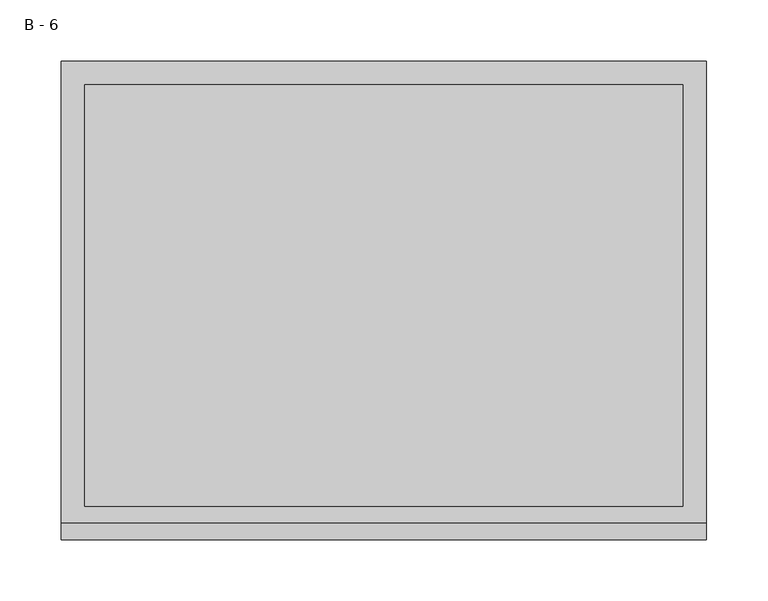
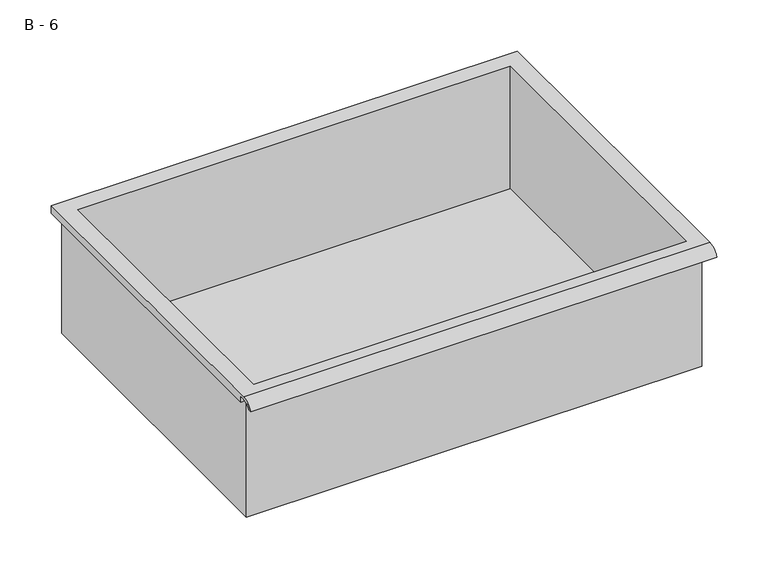
"""IFC4 building model written with IfcOpenShell, lengths in millimetres: furniture geometry, B - 6."""

import ifcopenshell
import ifcopenshell.guid

model = None  # the IFC model being written
_history = None  # IfcOwnerHistory: only IFC2X3 demands one
_inside = {}  # id of a spatial element -> (the spatial element, [elements in it])
_under = {}  # id of a project, library or spatial element -> (it, [spatial elements below it])
_declared = {}  # id of a project -> (the project, [libraries it declares])
_typed = {}  # id of a type object -> (the type object, [elements of that type])
_made_of = {}  # id of a material, layer set ... -> (it, [elements and type objects made of it])


def new_model(schema):
    """Start an empty IFC model of exactly this schema.

    Asked for "IFC4X3", IfcOpenShell would pick the latest addendum, in which some entities
    have other attributes; the version numbers below select the first issue.
    IFC2X3 requires an IfcOwnerHistory on every rooted entity: one is made here for all.
    """
    global model, _history
    if schema == "IFC4X3":
        model = ifcopenshell.file(schema_version=(4, 3, 0, 0))
    else:
        model = ifcopenshell.file(schema=schema)
    _inside.clear()
    _under.clear()
    _declared.clear()
    _typed.clear()
    _made_of.clear()
    _history = None
    if model.schema == "IFC2X3":
        org = make("IfcOrganization", Name="unknown")
        user = make(
            "IfcPersonAndOrganization",
            ThePerson=make("IfcPerson", FamilyName="unknown"),
            TheOrganization=org,
        )
        app = make(
            "IfcApplication",
            ApplicationDeveloper=org,
            Version="unknown",
            ApplicationFullName="unknown",
            ApplicationIdentifier="unknown",
        )
        _history = make(
            "IfcOwnerHistory",
            OwningUser=user,
            OwningApplication=app,
            ChangeAction="ADDED",
            CreationDate=0,
        )
    return model


def make(cls, **values):
    """One entity of the class cls with the attributes given. An attribute that is None is left unset."""
    return model.create_entity(
        cls, **{name: value for name, value in values.items() if value is not None}
    )


def rooted(cls, **values):
    """An entity with a GlobalId (a new one), such as an element, a storey or a relation."""
    return make(cls, GlobalId=ifcopenshell.guid.new(), OwnerHistory=_history, **values)


def si_unit(unit_type, name, prefix=None):
    """IfcSIUnit, for example si_unit("LENGTHUNIT", "METRE", prefix="MILLI")."""
    return make("IfcSIUnit", UnitType=unit_type, Prefix=prefix, Name=name)


def assignment(units):
    """IfcUnitAssignment: the units of a project."""
    return None if units is None else make("IfcUnitAssignment", Units=units)


def point(xyz):
    """IfcCartesianPoint."""
    return None if xyz is None else make("IfcCartesianPoint", Coordinates=xyz)


def direction(xyz):
    """IfcDirection."""
    return None if xyz is None else make("IfcDirection", DirectionRatios=xyz)


def frame(location, z_axis=None, x_axis=None):
    """IfcAxis2Placement3D, a coordinate frame: its origin and axes. An axis left out is left unset."""
    return make(
        "IfcAxis2Placement3D",
        Location=point(location),
        Axis=direction(z_axis),
        RefDirection=direction(x_axis),
    )


def origin():
    """The frame at (0, 0, 0) with its axes left unset."""
    return frame((0.0, 0.0, 0.0))


def place(relative_to, where):
    """IfcLocalPlacement: puts the frame where relative to a parent placement (None: the world)."""
    return make(
        "IfcLocalPlacement", PlacementRelTo=relative_to, RelativePlacement=where
    )


def context(
    kind, dimensions, precision=None, world=None, true_north=None, identifier=None
):
    """IfcGeometricRepresentationContext, for example the 3D "Model" context."""
    return make(
        "IfcGeometricRepresentationContext",
        ContextIdentifier=identifier,
        ContextType=kind,
        CoordinateSpaceDimension=dimensions,
        Precision=precision,
        WorldCoordinateSystem=world,
        TrueNorth=true_north,
    )


def project(units=None, contexts=None):
    """IfcProject with its units and contexts."""
    return rooted(
        "IfcProject",
        Name="project",
        RepresentationContexts=contexts,
        UnitsInContext=assignment(units),
    )


def spatial(cls, under=None, at=None, **own):
    """A site, building, storey or space (cls), placed at a placement, below another one or the project."""
    s = rooted(cls, ObjectPlacement=at, **own)
    if under is not None:
        _under.setdefault(under.id(), (under, []))[1].append(s)
    return s


def polyline(points):
    """IfcPolyline through the points."""
    return make("IfcPolyline", Points=[point(p) for p in points])


def circle_curve(where, radius):
    """IfcCircle in the frame where."""
    return make("IfcCircle", Position=where, Radius=radius)


def shape(context_of_items, identifier, shape_type, items):
    """IfcShapeRepresentation: the items that make up one representation, for example the "Body"."""
    return make(
        "IfcShapeRepresentation",
        ContextOfItems=context_of_items,
        RepresentationIdentifier=identifier,
        RepresentationType=shape_type,
        Items=items,
    )


def source(mapping_origin, context_of_items, identifier, shape_type, items):
    """IfcRepresentationMap: a shape defined once, which mapped items show again and again."""
    return make(
        "IfcRepresentationMap",
        MappingOrigin=mapping_origin,
        MappedRepresentation=shape(context_of_items, identifier, shape_type, items),
    )


def transform(
    local_origin,
    x_axis=None,
    y_axis=None,
    z_axis=None,
    scale=None,
    scale2=None,
    scale3=None,
    uniform=True,
):
    """IfcCartesianTransformationOperator3D, or its non-uniform kind. x_axis, y_axis, z_axis: its Axis1, 2, 3."""
    if uniform:
        return make(
            "IfcCartesianTransformationOperator3D",
            Axis1=direction(x_axis),
            Axis2=direction(y_axis),
            LocalOrigin=point(local_origin),
            Scale=scale,
            Axis3=direction(z_axis),
        )
    return make(
        "IfcCartesianTransformationOperator3DnonUniform",
        Axis1=direction(x_axis),
        Axis2=direction(y_axis),
        LocalOrigin=point(local_origin),
        Scale=scale,
        Axis3=direction(z_axis),
        Scale2=scale2,
        Scale3=scale3,
    )


def mapped(mapping_source, mapping_target):
    """IfcMappedItem: shows the shape of a source again, moved by a transform."""
    return make(
        "IfcMappedItem", MappingSource=mapping_source, MappingTarget=mapping_target
    )


def made_of(thing, what):
    """Note that an element or type object is made of a material, layer set ...; save() writes the relation."""
    if what is not None:
        _made_of.setdefault(what.id(), (what, []))[1].append(thing)
    return thing


def element(
    cls,
    number,
    at=None,
    inside=None,
    cuts=None,
    type_object=None,
    material=None,
    context=None,
    identifier="Body",
    shape_type=None,
    held_by="IfcProductDefinitionShape",
    body=None,
    shapes=None,
    **own,
):
    """One element of the class cls, such as IfcWall. Its Tag is "e" and its number.

    at: its placement. inside: the storey or other place that contains it. cuts: it is an
    opening in that element (IfcRelVoidsElement). A single representation is given by context,
    identifier, shape_type and body (its items); several are given by shapes. held_by: the class
    of the entity that holds the representations. save() writes the other relations.
    """
    e = rooted(cls, Tag="e%d" % number, ObjectPlacement=at, **own)
    if body is not None:
        shapes = [shape(context, identifier, shape_type, body)]
    if shapes is not None:
        e.Representation = make(held_by, Representations=shapes)
    if inside is not None:
        _inside.setdefault(inside.id(), (inside, []))[1].append(e)
    if cuts is not None:
        rooted(
            "IfcRelVoidsElement", RelatingBuildingElement=cuts, RelatedOpeningElement=e
        )
    if type_object is not None:
        _typed.setdefault(type_object.id(), (type_object, []))[1].append(e)
    return made_of(e, material)


def aggregate(whole, parts):
    """IfcRelAggregates: a whole, such as a stair, and the parts it consists of."""
    return rooted("IfcRelAggregates", RelatingObject=whole, RelatedObjects=parts)


def save(model, path):
    """Write the relations noted so far, then the file.

    IfcRelAggregates (storeys below a building ...), IfcRelContainedInSpatialStructure (elements
    in a storey), IfcRelDefinesByType, IfcRelAssociatesMaterial and IfcRelDeclares: one each for
    every whole, place, type object, material and project.
    """
    for whole, parts in _under.values():
        aggregate(whole, parts)
    for where, things in _inside.values():
        rooted(
            "IfcRelContainedInSpatialStructure",
            RelatedElements=things,
            RelatingStructure=where,
        )
    for kind, things in _typed.values():
        rooted("IfcRelDefinesByType", RelatedObjects=things, RelatingType=kind)
    for what, things in _made_of.values():
        rooted("IfcRelAssociatesMaterial", RelatedObjects=things, RelatingMaterial=what)
    for by, libraries in _declared.values():
        rooted("IfcRelDeclares", RelatingContext=by, RelatedDefinitions=libraries)
    model.write(path)


def plane_surface(at):
    """IfcPlane: the flat surface through the origin of the frame at, square to its z axis."""
    return make("IfcPlane", Position=at)


def cylinder_surface(at, radius):
    """IfcCylindricalSurface: all points at the distance radius from the z axis of the frame at."""
    return make("IfcCylindricalSurface", Position=at, Radius=radius)


def revolved_surface(curve, axis_point, axis_direction):
    """IfcSurfaceOfRevolution: the curve turned about the line through axis_point along axis_direction."""
    return make(
        "IfcSurfaceOfRevolution",
        SweptCurve=make("IfcArbitraryOpenProfileDef", ProfileType="CURVE", Curve=curve),
        AxisPosition=make("IfcAxis1Placement", Location=point(axis_point), Axis=direction(axis_direction)),
    )


def advanced_brep(points, edges, surfaces, faces):
    """IfcAdvancedBrep: a solid bounded by faces that lie on surfaces and meet in shared edges.

    An edge is (start, end): straight between two places in points (the first is 0);
    or (start, end, curve); or (start, end, curve, False) where it runs against its curve.
    A face is (place in surfaces, loops), or (place, loops, False) where it looks against
    its surface's normal. A loop lists edges by number (the first is 1), with a minus sign
    where the edge is run from its end to its start. The first loop is the outer one.
    """
    corners = [point(p) for p in points]
    vertices = [make("IfcVertexPoint", VertexGeometry=c) for c in corners]
    made = []
    for start, end, *more in edges:
        made.append(
            make(
                "IfcEdgeCurve",
                EdgeStart=vertices[start],
                EdgeEnd=vertices[end],
                EdgeGeometry=more[0] if more else make("IfcPolyline", Points=[corners[start], corners[end]]),
                SameSense=more[1] if len(more) > 1 else True,
            )
        )
    hull = []
    for where, loops, *sense in faces:
        bounds = []
        for j, loop in enumerate(loops):
            ring = [make("IfcOrientedEdge", EdgeElement=made[abs(k) - 1], Orientation=k > 0) for k in loop]
            bounds.append(
                make(
                    "IfcFaceOuterBound" if j == 0 else "IfcFaceBound",
                    Bound=make("IfcEdgeLoop", EdgeList=ring),
                    Orientation=True,
                )
            )
        hull.append(make("IfcAdvancedFace", Bounds=bounds, FaceSurface=surfaces[where], SameSense=sense[0] if sense else True))
    return make("IfcAdvancedBrep", Outer=make("IfcClosedShell", CfsFaces=hull))


def b_6_d9e495f1(model_context):
    return source(origin(), model_context, "Body", "AdvancedBrep", [
        advanced_brep(
        [(-257.1076517, -176.2125, 312.85942), (257.2423483, -176.2125, 312.85942), (257.2423483, -176.2125, 452.55942), (263.5923483, -176.2125, 452.55942), (263.5923483, -176.2125, 458.8665541), (-263.4576517, -176.2125, 458.8665541), (-263.4576517, -176.2125, 452.55942), (-257.1076517, -176.2125, 452.55942), (257.2423483, 185.7375, 312.85942), (-257.1076517, 185.7375, 312.85942), (-257.1076517, 185.7375, 452.55942), (257.2423483, 185.7375, 452.55942), (263.5923483, -181.6070544, 462.08442), (263.5923483, 195.2625, 462.08442), (-263.4576517, 195.2625, 462.08442), (-263.4576517, -181.6070544, 462.08442), (244.5423483, -168.275, 462.08442), (-244.4076517, -168.275, 462.08442), (-244.4076517, 176.2125, 462.08442), (244.5423483, 176.2125, 462.08442), (263.5923483, -195.2625, 452.55942), (263.5923483, -191.8280601, 452.55942), (263.5923483, -180.4714815, 458.8665541), (263.5923483, 195.2625, 452.55942), (-263.4576517, 195.2625, 452.55942), (-263.4576517, -180.4714815, 458.8665541), (-263.4576517, -191.8280601, 452.55942), (-263.4576517, -195.2625, 452.55942), (-244.4076517, -168.275, 315.8855919), (244.5423483, -168.275, 315.8855919), (244.5423483, 176.2125, 315.8855919), (-244.4076517, 176.2125, 315.8855919)],
        [
            (0, 1),
            (1, 2),
            (2, 3),
            (3, 4),
            (4, 5),
            (5, 6),
            (6, 7),
            (7, 0),
            (8, 9),
            (9, 10),
            (10, 11),
            (11, 8),
            (0, 9),
            (8, 1),
            (11, 2),
            (12, 13),
            (13, 14),
            (14, 15),
            (15, 12),
            (16, 17),
            (17, 18),
            (18, 19),
            (19, 16),
            (7, 10),
            (12, 20, circle_curve(frame((263.5923483, -181.6070544, 447.5334059), z_axis=(1.0, 0.0, 0.0), x_axis=(0.0, 1.0, 0.0)), 14.5510141)),
            (20, 21),
            (21, 22, circle_curve(frame((263.5923483, -181.6070544, 447.5334059), z_axis=(-1.0, 0.0, 0.0), x_axis=(0.0, 1.0, 0.0)), 11.3898979)),
            (22, 4),
            (3, 23),
            (23, 13),
            (14, 24),
            (24, 6),
            (5, 25),
            (25, 26, circle_curve(frame((-263.4576517, -181.6070544, 447.5334059), z_axis=(1.0, 0.0, 0.0), x_axis=(0.0, 1.0, 0.0)), 11.3898979)),
            (26, 27),
            (27, 15, circle_curve(frame((-263.4576517, -181.6070544, 447.5334059), z_axis=(-1.0, 0.0, 0.0), x_axis=(0.0, 1.0, 0.0)), 14.5510141)),
            (27, 20),
            (26, 21),
            (25, 22),
            (24, 23),
            (28, 29),
            (29, 30),
            (30, 31),
            (31, 28),
            (28, 17),
            (16, 29),
            (19, 30),
            (18, 31),
        ],
        [
            plane_surface(frame((257.2423483, -176.2125, 312.85942), z_axis=(0.0, -1.0, 0.0), x_axis=(1.0, 0.0, 0.0))),
            plane_surface(frame((257.2423483, 185.7375, 312.85942), z_axis=(0.0, 1.0, 0.0), x_axis=(-1.0, 0.0, 0.0))),
            plane_surface(frame((-257.1076517, -176.2125, 312.85942), z_axis=(0.0, 0.0, -1.0), x_axis=(0.0, 1.0, 0.0))),
            plane_surface(frame((257.2423483, -176.2125, 312.85942), z_axis=(1.0, 0.0, 0.0), x_axis=(0.0, 1.0, 0.0))),
            plane_surface(frame((257.2423483, -176.2125, 462.08442), z_axis=(0.0, 0.0, 1.0), x_axis=(0.0, 1.0, 0.0))),
            plane_surface(frame((-257.1076517, -176.2125, 462.08442), z_axis=(-1.0, 0.0, 0.0), x_axis=(0.0, 1.0, 0.0))),
            plane_surface(frame((263.5923483, 195.2625, 462.08442), z_axis=(1.0, 0.0, 0.0), x_axis=(0.0, -1.0, 0.0))),
            plane_surface(frame((-263.4576517, 195.2625, 462.08442), z_axis=(-1.0, 0.0, 0.0), x_axis=(0.0, 1.0, 0.0))),
            cylinder_surface(frame((-263.4576517, -181.6070544, 447.5334059), z_axis=(1.0, 0.0, 0.0), x_axis=(0.0, 1.0, 0.0)), 14.5510141),
            plane_surface(frame((263.5923483, -195.2625, 452.55942), z_axis=(0.0, -7.172997036885086e-12, -1.0), x_axis=(-1.0, 0.0, 0.0))),
            revolved_surface(polyline([(-263.4576517, -170.21715650000002, 447.5334059), (263.59234829999997, -170.21715650000002, 447.5334059)]), (-263.4576517, -181.6070544, 447.5334059), (-1.0, 0.0, 0.0)),
            plane_surface(frame((263.5923483, -180.4714815, 458.8665541), z_axis=(0.0, -1.779784652658293e-11, -1.0), x_axis=(-1.0, 0.0, 0.0))),
            plane_surface(frame((263.5923483, -176.2125, 452.55942), z_axis=(0.0, 0.0, -1.0), x_axis=(-1.0, 0.0, 0.0))),
            plane_surface(frame((263.5923483, 195.2625, 452.55942), z_axis=(0.0, 1.0, 0.0), x_axis=(-1.0, 0.0, 0.0))),
            plane_surface(frame((244.5423483, -168.275, 315.8855919), z_axis=(0.0, 0.0, 1.0), x_axis=(-1.0, 0.0, 0.0))),
            plane_surface(frame((-244.4076517, -168.275, 462.08442), z_axis=(0.0, 1.0, 0.0), x_axis=(0.0, 0.0, -1.0))),
            plane_surface(frame((244.5423483, -168.275, 462.08442), z_axis=(-1.0, 0.0, 0.0), x_axis=(0.0, 0.0, -1.0))),
            plane_surface(frame((244.5423483, 176.2125, 462.08442), z_axis=(0.0, -1.0, 0.0), x_axis=(0.0, 0.0, -1.0))),
            plane_surface(frame((-244.4076517, 176.2125, 462.08442), z_axis=(1.0, 0.0, 0.0), x_axis=(0.0, 0.0, -1.0))),
        ],
        [
            (0, [[1, 2, 3, 4, 5, 6, 7, 8]]),
            (1, [[9, 10, 11, 12]]),
            (2, [[-1, 13, -9, 14]]),
            (3, [[-14, -12, 15, -2]]),
            (4, [[16, 17, 18, 19], [20, 21, 22, 23]]),
            (5, [[-13, -8, 24, -10]]),
            (6, [[-16, 25, 26, 27, 28, -4, 29, 30]]),
            (7, [[31, 32, -6, 33, 34, 35, 36, -18]]),
            (8, [[-25, -19, -36, 37]]),
            (9, [[-26, -37, -35, 38]]),
            (10, [[-27, -38, -34, 39]]),
            (11, [[-28, -39, -33, -5]]),
            (12, [[-29, -3, -15, -11, -24, -7, -32, 40]]),
            (13, [[-30, -40, -31, -17]]),
            (14, [[41, 42, 43, 44]]),
            (15, [[-41, 45, -20, 46]]),
            (16, [[-42, -46, -23, 47]]),
            (17, [[-43, -47, -22, 48]]),
            (18, [[-44, -48, -21, -45]]),
        ],
    ),
    ])


if __name__ == "__main__":
    model = new_model("IFC4")
    model_context = context("Model", 3, world=origin())
    ifc_project = project(units=[si_unit("LENGTHUNIT", "METRE", prefix="MILLI")], contexts=[model_context])
    site = spatial("IfcSite", under=ifc_project)
    building = spatial("IfcBuilding", under=site)
    placement = place(None, origin())
    b_6_shape = b_6_d9e495f1(model_context)
    element("IfcFurniture", 1, ObjectType="B - 6", at=placement, inside=building, context=model_context, shape_type="MappedRepresentation", body=[
        mapped(b_6_shape, transform((0.0, 0.0, 0.0), x_axis=(1.0, 0.0, 0.0), y_axis=(0.0, 1.0, 0.0), z_axis=(0.0, 0.0, 1.0))),
    ])
    save(model, "model.ifc")
